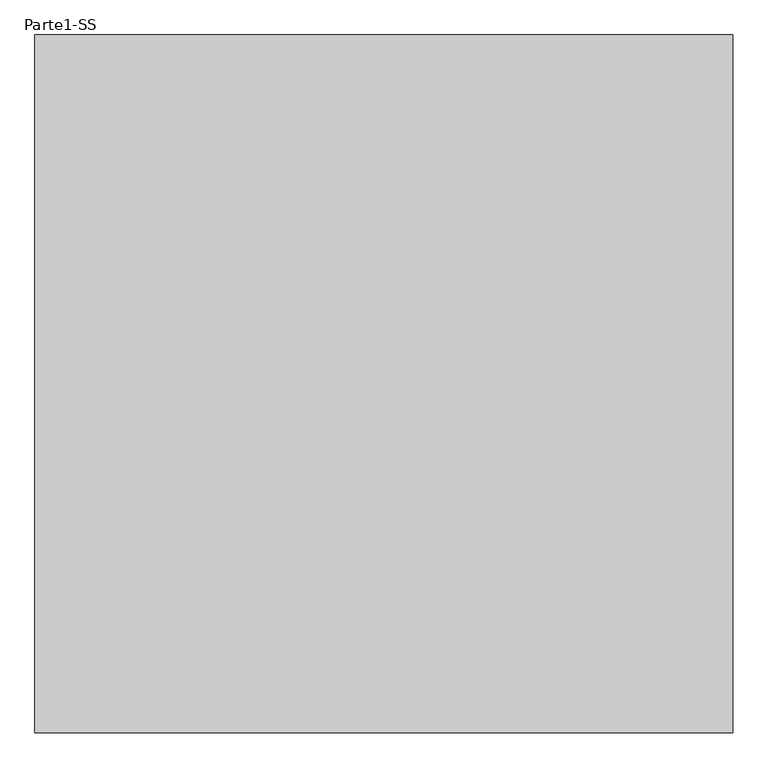
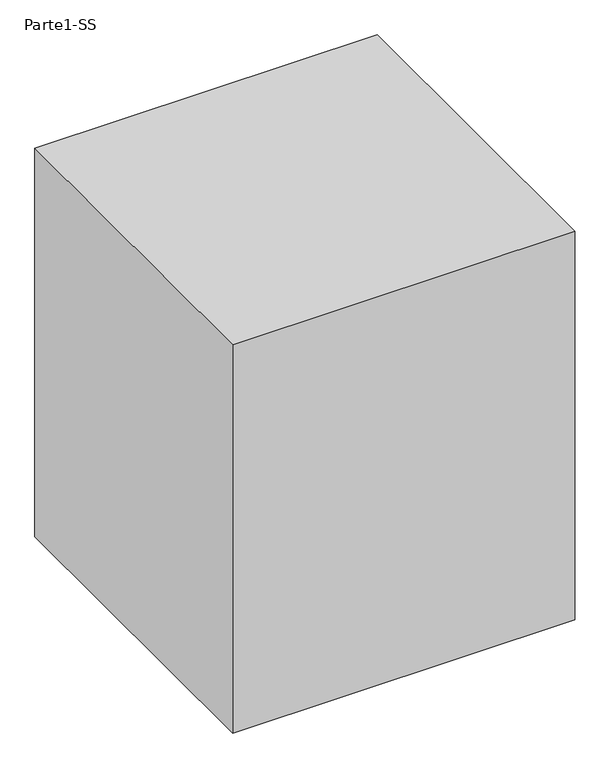
"""IFC4 building model written with IfcOpenShell, lengths in millimetres: proxy geometry, Parte1-SS."""

from ifc_helpers import new_model, si_unit, origin, origin_with_axes, place, context, project, spatial, polyline, outline, extrude, source, transform, mapped, element, save


def parte1_ss_f7ebb019(model_context):
    return source(origin(), model_context, "Body", "SweptSolid", [
        extrude(outline(polyline([(10000.0, 10000.0), (10000.0, 0.0), (0.0, 0.0), (0.0, 10000.0), (10000.0, 10000.0)])), origin_with_axes(), (0.0, 0.0, 1.0), 12000.0),
    ])


if __name__ == "__main__":
    model = new_model("IFC4")
    model_context = context("Model", 3, world=origin())
    ifc_project = project(units=[si_unit("LENGTHUNIT", "METRE", prefix="MILLI")], contexts=[model_context])
    site = spatial("IfcSite", under=ifc_project)
    building = spatial("IfcBuilding", under=site)
    placement = place(None, origin())
    parte1_ss_shape = parte1_ss_f7ebb019(model_context)
    element("IfcBuildingElementProxy", 1, Name="Parte1-SS", ObjectType="Parte1-SS", at=placement, inside=building, context=model_context, shape_type="MappedRepresentation", body=[
        mapped(parte1_ss_shape, transform((0.0, 0.0, 0.0), x_axis=(1.0, 0.0, 0.0), y_axis=(0.0, 1.0, 0.0), z_axis=(0.0, 0.0, 1.0))),
    ])
    save(model, "model.ifc")
